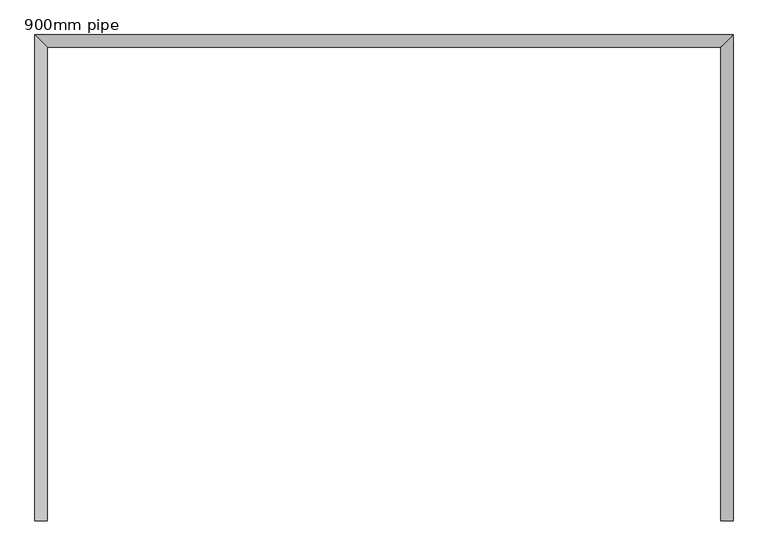
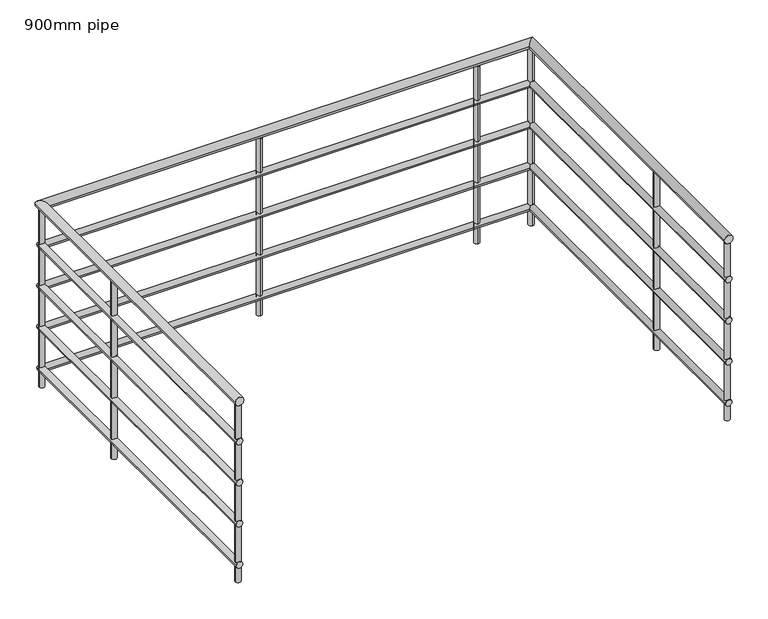
"""IFC4 building model written with IfcOpenShell, lengths in millimetres: railing geometry, 900mm pipe."""

from ifc_helpers import new_model, si_unit, point, frame, frame_2d, origin, place, context, project, spatial, circle_curve, ellipse_curve, trimmed, segment, composite_curve, outline, extrude, source, transform, mapped, element, save
from ifc_brep_helpers import plane_surface, cylinder_surface, advanced_brep


def railing_900mm_pipe_41fcee0e(model_context):
    return source(origin(), model_context, "Body", "SolidModel", [
        advanced_brep(
        [(-1476.8315087, 4642.1269455, 3880.0), (-1436.8315087, 4642.1269455, 3880.0), (813.1684913, 4642.1269455, 3880.0), (773.1684913, 4642.1269455, 3880.0), (-1476.8315087, 6237.1269455, 3880.0), (-1436.8315087, 6197.1269455, 3880.0), (813.1684913, 6237.1269455, 3880.0), (773.1684913, 6197.1269455, 3880.0)],
        [
            (0, 1, circle_curve(frame((-1456.8315087, 4642.1269455, 3880.0), z_axis=(0.0, -1.0, 0.0), x_axis=(1.0, 0.0, 0.0)), 20.0)),
            (1, 0, circle_curve(frame((-1456.8315087, 4642.1269455, 3880.0), z_axis=(0.0, -1.0, 0.0), x_axis=(1.0, 0.0, 0.0)), 20.0)),
            (2, 3, circle_curve(frame((793.1684913, 4642.1269455, 3880.0), z_axis=(0.0, -1.0, 0.0), x_axis=(-1.0, 0.0, 0.0)), 20.0)),
            (3, 2, circle_curve(frame((793.1684913, 4642.1269455, 3880.0), z_axis=(0.0, -1.0, 0.0), x_axis=(-1.0, 0.0, 0.0)), 20.0)),
            (0, 4),
            (4, 5, ellipse_curve(frame((-1456.8315087, 6217.1269455, 3880.0), z_axis=(-0.7071067811865475, -0.7071067811865475, 0.0), x_axis=(0.7071067811865474, -0.7071067811865476, 0.0)), 28.2842712, 20.0)),
            (5, 1),
            (5, 4, ellipse_curve(frame((-1456.8315087, 6217.1269455, 3880.0), z_axis=(-0.7071067811865475, -0.7071067811865475, 0.0), x_axis=(0.7071067811865474, -0.7071067811865476, 0.0)), 28.2842712, 20.0)),
            (4, 6),
            (6, 7, ellipse_curve(frame((793.1684913, 6217.1269455, 3880.0), z_axis=(-0.7071067811865475, 0.7071067811865475, 0.0), x_axis=(-0.7071067811865476, -0.7071067811865474, 0.0)), 28.2842712, 20.0)),
            (7, 5),
            (7, 6, ellipse_curve(frame((793.1684913, 6217.1269455, 3880.0), z_axis=(-0.7071067811865475, 0.7071067811865475, 0.0), x_axis=(-0.7071067811865476, -0.7071067811865474, 0.0)), 28.2842712, 20.0)),
            (6, 2),
            (3, 7),
        ],
        [
            plane_surface(frame((-1456.8315087, 4642.1269455, 3900.0), z_axis=(0.0, -1.0, 0.0), x_axis=(0.0, 0.0, 1.0))),
            plane_surface(frame((793.1684913, 4642.1269455, 3900.0), z_axis=(0.0, -1.0, 0.0), x_axis=(0.0, 0.0, -1.0))),
            cylinder_surface(frame((-1456.8315087, 4642.1269455, 3880.0), z_axis=(0.0, -1.0, 0.0), x_axis=(1.0, 0.0, 0.0)), 20.0),
            cylinder_surface(frame((-1456.8315087, 6217.1269455, 3880.0), z_axis=(-1.0, 0.0, 0.0), x_axis=(0.0, -1.0, 0.0)), 20.0),
            cylinder_surface(frame((793.1684913, 6217.1269455, 3880.0), z_axis=(0.0, 1.0, 0.0), x_axis=(-1.0, 0.0, 0.0)), 20.0),
        ],
        [
            (0, [[1, 2]]),
            (1, [[3, 4]]),
            (2, [[-1, 5, 6, 7]]),
            (2, [[-2, -7, 8, -5]]),
            (3, [[-6, 9, 10, 11]]),
            (3, [[-8, -11, 12, -9]]),
            (4, [[-10, 13, -4, 14]]),
            (4, [[-12, -14, -3, -13]]),
        ],
    ),
        advanced_brep(
        [(-1471.8315087, 4642.1269455, 3685.0), (-1441.8315087, 4642.1269455, 3685.0), (-1471.8315087, 6232.1269455, 3685.0), (-1441.8315087, 6202.1269455, 3685.0), (808.1684913, 6232.1269455, 3685.0), (778.1684913, 6202.1269455, 3685.0), (808.1684913, 4642.1269455, 3685.0), (778.1684913, 4642.1269455, 3685.0)],
        [
            (0, 1, circle_curve(frame((-1456.8315087, 4642.1269455, 3685.0), z_axis=(0.0, -1.0, 0.0), x_axis=(1.0, 0.0, 0.0)), 15.0)),
            (1, 0, circle_curve(frame((-1456.8315087, 4642.1269455, 3685.0), z_axis=(0.0, -1.0, 0.0), x_axis=(1.0, 0.0, 0.0)), 15.0)),
            (0, 2),
            (2, 3, ellipse_curve(frame((-1456.8315087, 6217.1269455, 3685.0), z_axis=(-0.7071067811865475, -0.7071067811865475, 0.0), x_axis=(0.7071067811865474, -0.7071067811865476, 0.0)), 21.2132034, 15.0)),
            (3, 1),
            (3, 2, ellipse_curve(frame((-1456.8315087, 6217.1269455, 3685.0), z_axis=(-0.7071067811865475, -0.7071067811865475, 0.0), x_axis=(0.7071067811865474, -0.7071067811865476, 0.0)), 21.2132034, 15.0)),
            (2, 4),
            (4, 5, ellipse_curve(frame((793.1684913, 6217.1269455, 3685.0), z_axis=(-0.7071067811865475, 0.7071067811865475, 0.0), x_axis=(-0.7071067811865476, -0.7071067811865474, 0.0)), 21.2132034, 15.0)),
            (5, 3),
            (5, 4, ellipse_curve(frame((793.1684913, 6217.1269455, 3685.0), z_axis=(-0.7071067811865475, 0.7071067811865475, 0.0), x_axis=(-0.7071067811865476, -0.7071067811865474, 0.0)), 21.2132034, 15.0)),
            (6, 7, circle_curve(frame((793.1684913, 4642.1269455, 3685.0), z_axis=(0.0, -1.0, 0.0), x_axis=(-1.0, 0.0, 0.0)), 15.0)),
            (7, 6, circle_curve(frame((793.1684913, 4642.1269455, 3685.0), z_axis=(0.0, -1.0, 0.0), x_axis=(-1.0, 0.0, 0.0)), 15.0)),
            (4, 6),
            (7, 5),
        ],
        [
            plane_surface(frame((-1456.8315087, 4642.1269455, 3700.0), z_axis=(0.0, -1.0, 0.0), x_axis=(0.0, 0.0, 1.0))),
            cylinder_surface(frame((-1456.8315087, 4642.1269455, 3685.0), z_axis=(0.0, -1.0, 0.0), x_axis=(1.0, 0.0, 0.0)), 15.0),
            cylinder_surface(frame((-1456.8315087, 6217.1269455, 3685.0), z_axis=(-1.0, 0.0, 0.0), x_axis=(0.0, -1.0, 0.0)), 15.0),
            plane_surface(frame((793.1684913, 4642.1269455, 3700.0), z_axis=(0.0, -1.0, 0.0), x_axis=(0.0, 0.0, -1.0))),
            cylinder_surface(frame((793.1684913, 6217.1269455, 3685.0), z_axis=(0.0, 1.0, 0.0), x_axis=(-1.0, 0.0, 0.0)), 15.0),
        ],
        [
            (0, [[1, 2]]),
            (1, [[-1, 3, 4, 5]]),
            (1, [[-2, -5, 6, -3]]),
            (2, [[-4, 7, 8, 9]]),
            (2, [[-6, -9, 10, -7]]),
            (3, [[11, 12]]),
            (4, [[-8, 13, -12, 14]]),
            (4, [[-10, -14, -11, -13]]),
        ],
    ),
        advanced_brep(
        [(-1471.8315087, 4642.1269455, 3485.0), (-1441.8315087, 4642.1269455, 3485.0), (-1471.8315087, 6232.1269455, 3485.0), (-1441.8315087, 6202.1269455, 3485.0), (808.1684913, 6232.1269455, 3485.0), (778.1684913, 6202.1269455, 3485.0), (808.1684913, 4642.1269455, 3485.0), (778.1684913, 4642.1269455, 3485.0)],
        [
            (0, 1, circle_curve(frame((-1456.8315087, 4642.1269455, 3485.0), z_axis=(0.0, -1.0, 0.0), x_axis=(1.0, 0.0, 0.0)), 15.0)),
            (1, 0, circle_curve(frame((-1456.8315087, 4642.1269455, 3485.0), z_axis=(0.0, -1.0, 0.0), x_axis=(1.0, 0.0, 0.0)), 15.0)),
            (0, 2),
            (2, 3, ellipse_curve(frame((-1456.8315087, 6217.1269455, 3485.0), z_axis=(-0.7071067811865475, -0.7071067811865475, 0.0), x_axis=(0.7071067811865474, -0.7071067811865476, 0.0)), 21.2132034, 15.0)),
            (3, 1),
            (3, 2, ellipse_curve(frame((-1456.8315087, 6217.1269455, 3485.0), z_axis=(-0.7071067811865475, -0.7071067811865475, 0.0), x_axis=(0.7071067811865474, -0.7071067811865476, 0.0)), 21.2132034, 15.0)),
            (2, 4),
            (4, 5, ellipse_curve(frame((793.1684913, 6217.1269455, 3485.0), z_axis=(-0.7071067811865475, 0.7071067811865475, 0.0), x_axis=(-0.7071067811865476, -0.7071067811865474, 0.0)), 21.2132034, 15.0)),
            (5, 3),
            (5, 4, ellipse_curve(frame((793.1684913, 6217.1269455, 3485.0), z_axis=(-0.7071067811865475, 0.7071067811865475, 0.0), x_axis=(-0.7071067811865476, -0.7071067811865474, 0.0)), 21.2132034, 15.0)),
            (6, 7, circle_curve(frame((793.1684913, 4642.1269455, 3485.0), z_axis=(0.0, -1.0, 0.0), x_axis=(-1.0, 0.0, 0.0)), 15.0)),
            (7, 6, circle_curve(frame((793.1684913, 4642.1269455, 3485.0), z_axis=(0.0, -1.0, 0.0), x_axis=(-1.0, 0.0, 0.0)), 15.0)),
            (4, 6),
            (7, 5),
        ],
        [
            plane_surface(frame((-1456.8315087, 4642.1269455, 3500.0), z_axis=(0.0, -1.0, 0.0), x_axis=(0.0, 0.0, 1.0))),
            cylinder_surface(frame((-1456.8315087, 4642.1269455, 3485.0), z_axis=(0.0, -1.0, 0.0), x_axis=(1.0, 0.0, 0.0)), 15.0),
            cylinder_surface(frame((-1456.8315087, 6217.1269455, 3485.0), z_axis=(-1.0, 0.0, 0.0), x_axis=(0.0, -1.0, 0.0)), 15.0),
            plane_surface(frame((793.1684913, 4642.1269455, 3500.0), z_axis=(0.0, -1.0, 0.0), x_axis=(0.0, 0.0, -1.0))),
            cylinder_surface(frame((793.1684913, 6217.1269455, 3485.0), z_axis=(0.0, 1.0, 0.0), x_axis=(-1.0, 0.0, 0.0)), 15.0),
        ],
        [
            (0, [[1, 2]]),
            (1, [[-1, 3, 4, 5]]),
            (1, [[-2, -5, 6, -3]]),
            (2, [[-4, 7, 8, 9]]),
            (2, [[-6, -9, 10, -7]]),
            (3, [[11, 12]]),
            (4, [[-8, 13, -12, 14]]),
            (4, [[-10, -14, -11, -13]]),
        ],
    ),
        advanced_brep(
        [(-1471.8315087, 4642.1269455, 3285.0), (-1441.8315087, 4642.1269455, 3285.0), (-1471.8315087, 6232.1269455, 3285.0), (-1441.8315087, 6202.1269455, 3285.0), (808.1684913, 6232.1269455, 3285.0), (778.1684913, 6202.1269455, 3285.0), (808.1684913, 4642.1269455, 3285.0), (778.1684913, 4642.1269455, 3285.0)],
        [
            (0, 1, circle_curve(frame((-1456.8315087, 4642.1269455, 3285.0), z_axis=(0.0, -1.0, 0.0), x_axis=(1.0, 0.0, 0.0)), 15.0)),
            (1, 0, circle_curve(frame((-1456.8315087, 4642.1269455, 3285.0), z_axis=(0.0, -1.0, 0.0), x_axis=(1.0, 0.0, 0.0)), 15.0)),
            (0, 2),
            (2, 3, ellipse_curve(frame((-1456.8315087, 6217.1269455, 3285.0), z_axis=(-0.7071067811865475, -0.7071067811865475, 0.0), x_axis=(0.7071067811865474, -0.7071067811865476, 0.0)), 21.2132034, 15.0)),
            (3, 1),
            (3, 2, ellipse_curve(frame((-1456.8315087, 6217.1269455, 3285.0), z_axis=(-0.7071067811865475, -0.7071067811865475, 0.0), x_axis=(0.7071067811865474, -0.7071067811865476, 0.0)), 21.2132034, 15.0)),
            (2, 4),
            (4, 5, ellipse_curve(frame((793.1684913, 6217.1269455, 3285.0), z_axis=(-0.7071067811865475, 0.7071067811865475, 0.0), x_axis=(-0.7071067811865476, -0.7071067811865474, 0.0)), 21.2132034, 15.0)),
            (5, 3),
            (5, 4, ellipse_curve(frame((793.1684913, 6217.1269455, 3285.0), z_axis=(-0.7071067811865475, 0.7071067811865475, 0.0), x_axis=(-0.7071067811865476, -0.7071067811865474, 0.0)), 21.2132034, 15.0)),
            (6, 7, circle_curve(frame((793.1684913, 4642.1269455, 3285.0), z_axis=(0.0, -1.0, 0.0), x_axis=(-1.0, 0.0, 0.0)), 15.0)),
            (7, 6, circle_curve(frame((793.1684913, 4642.1269455, 3285.0), z_axis=(0.0, -1.0, 0.0), x_axis=(-1.0, 0.0, 0.0)), 15.0)),
            (4, 6),
            (7, 5),
        ],
        [
            plane_surface(frame((-1456.8315087, 4642.1269455, 3300.0), z_axis=(0.0, -1.0, 0.0), x_axis=(0.0, 0.0, 1.0))),
            cylinder_surface(frame((-1456.8315087, 4642.1269455, 3285.0), z_axis=(0.0, -1.0, 0.0), x_axis=(1.0, 0.0, 0.0)), 15.0),
            cylinder_surface(frame((-1456.8315087, 6217.1269455, 3285.0), z_axis=(-1.0, 0.0, 0.0), x_axis=(0.0, -1.0, 0.0)), 15.0),
            plane_surface(frame((793.1684913, 4642.1269455, 3300.0), z_axis=(0.0, -1.0, 0.0), x_axis=(0.0, 0.0, -1.0))),
            cylinder_surface(frame((793.1684913, 6217.1269455, 3285.0), z_axis=(0.0, 1.0, 0.0), x_axis=(-1.0, 0.0, 0.0)), 15.0),
        ],
        [
            (0, [[1, 2]]),
            (1, [[-1, 3, 4, 5]]),
            (1, [[-2, -5, 6, -3]]),
            (2, [[-4, 7, 8, 9]]),
            (2, [[-6, -9, 10, -7]]),
            (3, [[11, 12]]),
            (4, [[-8, 13, -12, 14]]),
            (4, [[-10, -14, -11, -13]]),
        ],
    ),
        advanced_brep(
        [(-1471.8315087, 4642.1269455, 3085.0), (-1441.8315087, 4642.1269455, 3085.0), (-1471.8315087, 6232.1269455, 3085.0), (-1441.8315087, 6202.1269455, 3085.0), (808.1684913, 6232.1269455, 3085.0), (778.1684913, 6202.1269455, 3085.0), (808.1684913, 4642.1269455, 3085.0), (778.1684913, 4642.1269455, 3085.0)],
        [
            (0, 1, circle_curve(frame((-1456.8315087, 4642.1269455, 3085.0), z_axis=(0.0, -1.0, 0.0), x_axis=(1.0, 0.0, 0.0)), 15.0)),
            (1, 0, circle_curve(frame((-1456.8315087, 4642.1269455, 3085.0), z_axis=(0.0, -1.0, 0.0), x_axis=(1.0, 0.0, 0.0)), 15.0)),
            (0, 2),
            (2, 3, ellipse_curve(frame((-1456.8315087, 6217.1269455, 3085.0), z_axis=(-0.7071067811865475, -0.7071067811865475, 0.0), x_axis=(0.7071067811865474, -0.7071067811865476, 0.0)), 21.2132034, 15.0)),
            (3, 1),
            (3, 2, ellipse_curve(frame((-1456.8315087, 6217.1269455, 3085.0), z_axis=(-0.7071067811865475, -0.7071067811865475, 0.0), x_axis=(0.7071067811865474, -0.7071067811865476, 0.0)), 21.2132034, 15.0)),
            (2, 4),
            (4, 5, ellipse_curve(frame((793.1684913, 6217.1269455, 3085.0), z_axis=(-0.7071067811865475, 0.7071067811865475, 0.0), x_axis=(-0.7071067811865476, -0.7071067811865474, 0.0)), 21.2132034, 15.0)),
            (5, 3),
            (5, 4, ellipse_curve(frame((793.1684913, 6217.1269455, 3085.0), z_axis=(-0.7071067811865475, 0.7071067811865475, 0.0), x_axis=(-0.7071067811865476, -0.7071067811865474, 0.0)), 21.2132034, 15.0)),
            (6, 7, circle_curve(frame((793.1684913, 4642.1269455, 3085.0), z_axis=(0.0, -1.0, 0.0), x_axis=(-1.0, 0.0, 0.0)), 15.0)),
            (7, 6, circle_curve(frame((793.1684913, 4642.1269455, 3085.0), z_axis=(0.0, -1.0, 0.0), x_axis=(-1.0, 0.0, 0.0)), 15.0)),
            (4, 6),
            (7, 5),
        ],
        [
            plane_surface(frame((-1456.8315087, 4642.1269455, 3100.0), z_axis=(0.0, -1.0, 0.0), x_axis=(0.0, 0.0, 1.0))),
            cylinder_surface(frame((-1456.8315087, 4642.1269455, 3085.0), z_axis=(0.0, -1.0, 0.0), x_axis=(1.0, 0.0, 0.0)), 15.0),
            cylinder_surface(frame((-1456.8315087, 6217.1269455, 3085.0), z_axis=(-1.0, 0.0, 0.0), x_axis=(0.0, -1.0, 0.0)), 15.0),
            plane_surface(frame((793.1684913, 4642.1269455, 3100.0), z_axis=(0.0, -1.0, 0.0), x_axis=(0.0, 0.0, -1.0))),
            cylinder_surface(frame((793.1684913, 6217.1269455, 3085.0), z_axis=(0.0, 1.0, 0.0), x_axis=(-1.0, 0.0, 0.0)), 15.0),
        ],
        [
            (0, [[1, 2]]),
            (1, [[-1, 3, 4, 5]]),
            (1, [[-2, -5, 6, -3]]),
            (2, [[-4, 7, 8, 9]]),
            (2, [[-6, -9, 10, -7]]),
            (3, [[11, 12]]),
            (4, [[-8, 13, -12, 14]]),
            (4, [[-10, -14, -11, -13]]),
        ],
    ),
        extrude(outline(composite_curve([segment(trimmed(circle_curve(frame_2d((793.1684913, 5217.1269455)), 12.5), [point((805.6684913, 5217.1269455))], [point((780.6684913, 5217.1269455))], False, "CARTESIAN"), True, "CONTINUOUS"), segment(trimmed(circle_curve(frame_2d((793.1684913, 5217.1269455)), 12.5), [point((780.6684913, 5217.1269455))], [point((805.6684913, 5217.1269455))], False, "CARTESIAN"), True, "CONTINUOUS")], self_intersect=False)), frame((0.0, 0.0, 3000.0), z_axis=(0.0, 0.0, 1.0), x_axis=(1.0, 0.0, 0.0)), (0.0, 0.0, 1.0), 860.0),
        extrude(outline(composite_curve([segment(trimmed(circle_curve(frame_2d((543.1684913, 6217.1269455)), 12.5), [point((543.1684913, 6229.6269455))], [point((543.1684913, 6204.6269455))], False, "CARTESIAN"), True, "CONTINUOUS"), segment(trimmed(circle_curve(frame_2d((543.1684913, 6217.1269455)), 12.5), [point((543.1684913, 6204.6269455))], [point((543.1684913, 6229.6269455))], False, "CARTESIAN"), True, "CONTINUOUS")], self_intersect=False)), frame((0.0, 0.0, 3000.0), z_axis=(0.0, 0.0, 1.0), x_axis=(1.0, 0.0, 0.0)), (0.0, 0.0, 1.0), 860.0),
        extrude(outline(composite_curve([segment(trimmed(circle_curve(frame_2d((-456.8315087, 6217.1269455)), 12.5), [point((-456.8315087, 6229.6269455))], [point((-456.8315087, 6204.6269455))], False, "CARTESIAN"), True, "CONTINUOUS"), segment(trimmed(circle_curve(frame_2d((-456.8315087, 6217.1269455)), 12.5), [point((-456.8315087, 6204.6269455))], [point((-456.8315087, 6229.6269455))], False, "CARTESIAN"), True, "CONTINUOUS")], self_intersect=False)), frame((0.0, 0.0, 3000.0), z_axis=(0.0, 0.0, 1.0), x_axis=(1.0, 0.0, 0.0)), (0.0, 0.0, 1.0), 860.0),
        extrude(outline(composite_curve([segment(trimmed(circle_curve(frame_2d((-1456.8315087, 5642.1269455)), 12.5), [point((-1469.3315087, 5642.1269455))], [point((-1444.3315087, 5642.1269455))], False, "CARTESIAN"), True, "CONTINUOUS"), segment(trimmed(circle_curve(frame_2d((-1456.8315087, 5642.1269455)), 12.5), [point((-1444.3315087, 5642.1269455))], [point((-1469.3315087, 5642.1269455))], False, "CARTESIAN"), True, "CONTINUOUS")], self_intersect=False)), frame((0.0, 0.0, 3000.0), z_axis=(0.0, 0.0, 1.0), x_axis=(1.0, 0.0, 0.0)), (0.0, 0.0, 1.0), 860.0),
        extrude(outline(composite_curve([segment(trimmed(circle_curve(frame_2d((793.1684913, 6217.1269455)), 12.5), [point((793.1684913, 6229.6269455))], [point((793.1684913, 6204.6269455))], False, "CARTESIAN"), True, "CONTINUOUS"), segment(trimmed(circle_curve(frame_2d((793.1684913, 6217.1269455)), 12.5), [point((793.1684913, 6204.6269455))], [point((793.1684913, 6229.6269455))], False, "CARTESIAN"), True, "CONTINUOUS")], self_intersect=False)), frame((0.0, 0.0, 3000.0), z_axis=(0.0, 0.0, 1.0), x_axis=(1.0, 0.0, 0.0)), (0.0, 0.0, 1.0), 860.0),
        extrude(outline(composite_curve([segment(trimmed(circle_curve(frame_2d((-1456.8315087, 6217.1269455)), 12.5), [point((-1469.3315087, 6217.1269455))], [point((-1444.3315087, 6217.1269455))], False, "CARTESIAN"), True, "CONTINUOUS"), segment(trimmed(circle_curve(frame_2d((-1456.8315087, 6217.1269455)), 12.5), [point((-1444.3315087, 6217.1269455))], [point((-1469.3315087, 6217.1269455))], False, "CARTESIAN"), True, "CONTINUOUS")], self_intersect=False)), frame((0.0, 0.0, 3000.0), z_axis=(0.0, 0.0, 1.0), x_axis=(1.0, 0.0, 0.0)), (0.0, 0.0, 1.0), 860.0),
        extrude(outline(composite_curve([segment(trimmed(circle_curve(frame_2d((793.1684913, 4654.6269455)), 12.5), [point((805.6684913, 4654.6269455))], [point((780.6684913, 4654.6269455))], False, "CARTESIAN"), True, "CONTINUOUS"), segment(trimmed(circle_curve(frame_2d((793.1684913, 4654.6269455)), 12.5), [point((780.6684913, 4654.6269455))], [point((805.6684913, 4654.6269455))], False, "CARTESIAN"), True, "CONTINUOUS")], self_intersect=False)), frame((0.0, 0.0, 3000.0), z_axis=(0.0, 0.0, 1.0), x_axis=(1.0, 0.0, 0.0)), (0.0, 0.0, 1.0), 860.0),
        extrude(outline(composite_curve([segment(trimmed(circle_curve(frame_2d((-1456.8315087, 4654.6269455)), 12.5), [point((-1469.3315087, 4654.6269455))], [point((-1444.3315087, 4654.6269455))], False, "CARTESIAN"), True, "CONTINUOUS"), segment(trimmed(circle_curve(frame_2d((-1456.8315087, 4654.6269455)), 12.5), [point((-1444.3315087, 4654.6269455))], [point((-1469.3315087, 4654.6269455))], False, "CARTESIAN"), True, "CONTINUOUS")], self_intersect=False)), frame((0.0, 0.0, 3000.0), z_axis=(0.0, 0.0, 1.0), x_axis=(1.0, 0.0, 0.0)), (0.0, 0.0, 1.0), 860.0),
    ])


if __name__ == "__main__":
    model = new_model("IFC4")
    model_context = context("Model", 3, world=origin())
    ifc_project = project(units=[si_unit("LENGTHUNIT", "METRE", prefix="MILLI")], contexts=[model_context])
    site = spatial("IfcSite", under=ifc_project)
    building = spatial("IfcBuilding", under=site)
    placement = place(None, origin())
    railing_900mm_pipe_shape = railing_900mm_pipe_41fcee0e(model_context)
    element("IfcRailing", 1, ObjectType="900mm pipe", at=placement, inside=building, context=model_context, shape_type="MappedRepresentation", body=[
        mapped(railing_900mm_pipe_shape, transform((0.0, 0.0, 0.0), x_axis=(1.0, 0.0, 0.0), y_axis=(0.0, 1.0, 0.0), z_axis=(0.0, 0.0, 1.0))),
    ])
    save(model, "model.ifc")
